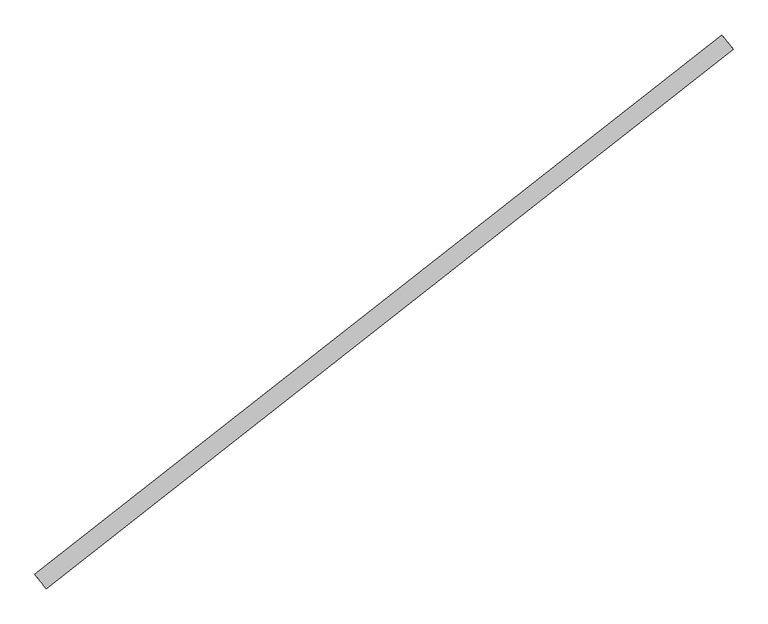
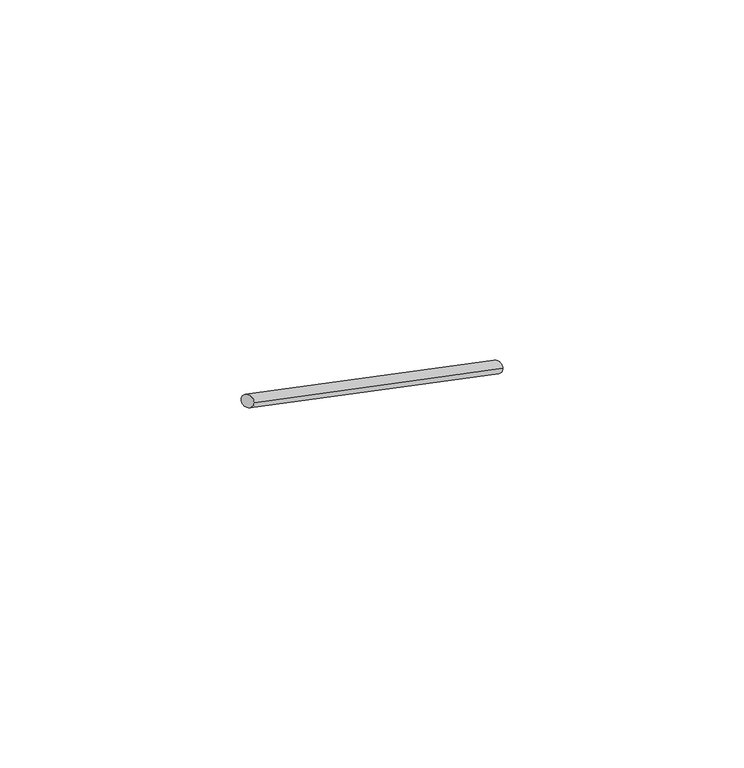
"""IFC4 building model written with IfcOpenShell, lengths in millimetres: railing geometry."""

from ifc_helpers import new_model, si_unit, frame, origin, place, context, project, spatial, ellipse_curve, source, transform, mapped, element, save
from ifc_brep_helpers import plane_surface, cylinder_surface, advanced_brep


def railing_956b5c6a(model_context):
    return source(origin(), model_context, "Body", "AdvancedBrep", [
        advanced_brep(
        [(106149.6967324, -2948.3412704, -677.8333333), (106199.1104736, -3011.2561508, -677.8333333), (103141.3956442, -5311.0797872, 1569.75), (103190.8093854, -5373.9946676, 1569.75)],
        [
            (0, 1, ellipse_curve(frame((106174.403603, -2979.7987106, -677.8333333), z_axis=(0.7864360057472248, 0.6176717646649804, 0.0), x_axis=(0.0, 0.0, -1.0)), 46.3937197, 40.0)),
            (1, 0, ellipse_curve(frame((106174.403603, -2979.7987106, -677.8333333), z_axis=(0.7864360057472248, 0.6176717646649804, 0.0), x_axis=(0.0, 0.0, -1.0)), 46.3937197, 40.0)),
            (2, 3, ellipse_curve(frame((103166.1025148, -5342.5372274, 1569.75), z_axis=(-0.7864360057472248, -0.6176717646649804, 0.0), x_axis=(0.0, 0.0, -1.0)), 46.3937197, 40.0)),
            (3, 2, ellipse_curve(frame((103166.1025148, -5342.5372274, 1569.75), z_axis=(-0.7864360057472248, -0.6176717646649804, 0.0), x_axis=(0.0, 0.0, -1.0)), 46.3937197, 40.0)),
            (0, 2),
            (3, 1),
        ],
        [
            plane_surface(frame((106174.403603, -2979.7987106, -677.8333333), z_axis=(0.7864360057472248, 0.6176717646649804, 0.0), x_axis=(0.6176717646649804, -0.7864360057472248, 0.0))),
            plane_surface(frame((103166.1025148, -5342.5372274, 1569.75), z_axis=(-0.7864360057472248, -0.6176717646649804, 0.0), x_axis=(0.6176717646649804, -0.7864360057472248, 0.0))),
            cylinder_surface(frame((106174.403603, -2979.7987106, -677.8333333), z_axis=(0.6780538496685351, 0.5325477404416581, -0.5065924210844097), x_axis=(0.6176717646649804, -0.7864360057472249, 0.0)), 40.0),
        ],
        [
            (0, [[1, 2]]),
            (1, [[3, 4]]),
            (2, [[-1, 5, -4, 6]]),
            (2, [[-2, -6, -3, -5]]),
        ],
    ),
    ])


if __name__ == "__main__":
    model = new_model("IFC4")
    model_context = context("Model", 3, world=origin())
    ifc_project = project(units=[si_unit("LENGTHUNIT", "METRE", prefix="MILLI")], contexts=[model_context])
    site = spatial("IfcSite", under=ifc_project)
    building = spatial("IfcBuilding", under=site)
    placement = place(None, origin())
    railing_shape = railing_956b5c6a(model_context)
    element("IfcRailing", 1, at=placement, inside=building, context=model_context, shape_type="MappedRepresentation", body=[
        mapped(railing_shape, transform((0.0, 0.0, 0.0), x_axis=(1.0, 0.0, 0.0), y_axis=(0.0, 1.0, 0.0), z_axis=(0.0, 0.0, 1.0))),
    ])
    save(model, "model.ifc")
